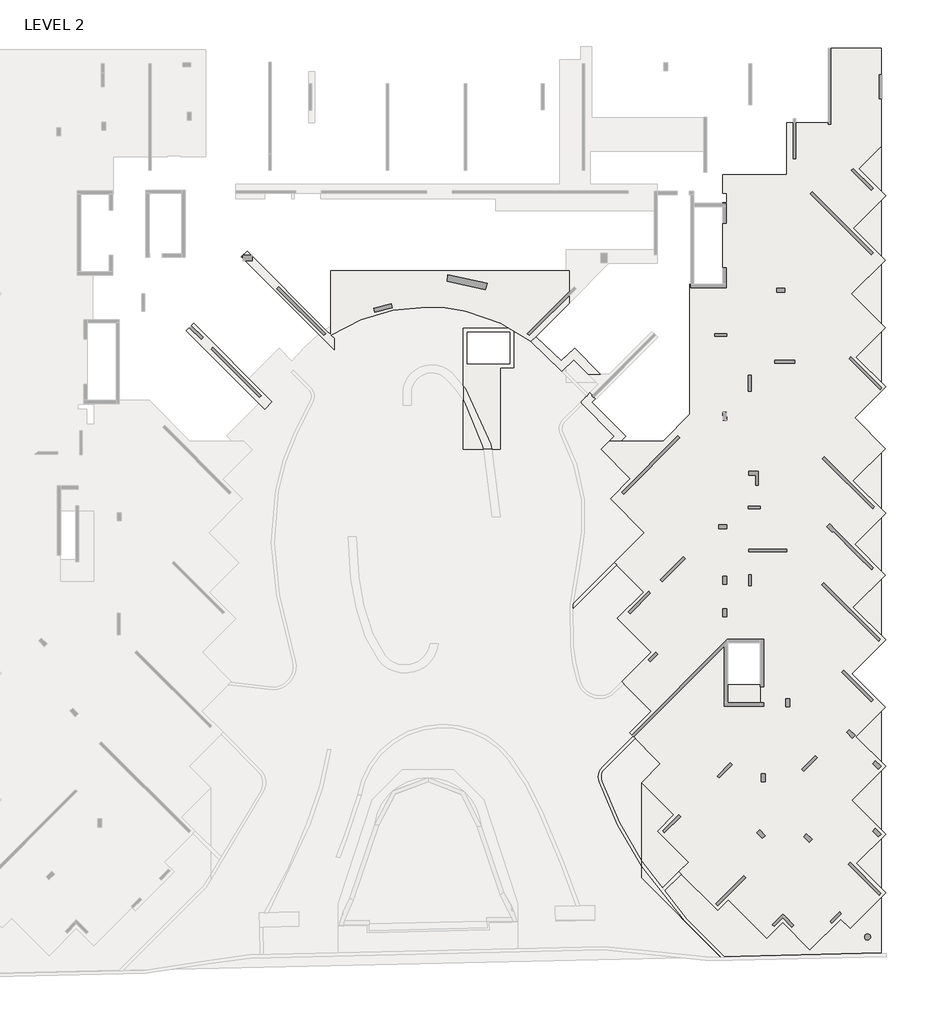
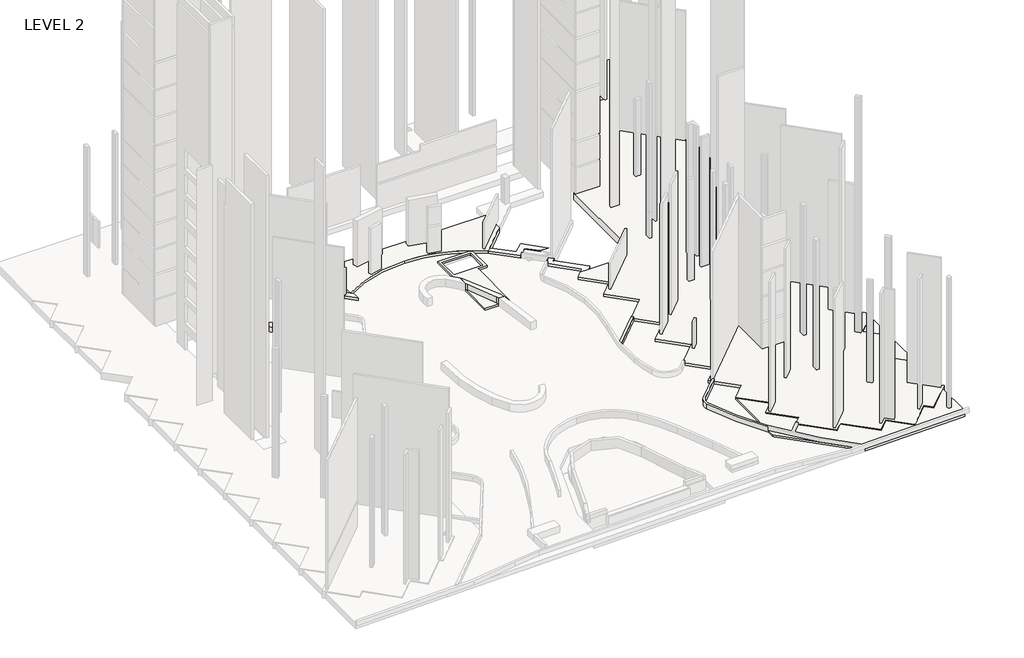
# One storey, part 8 of 9: 10 slabs.
"""IFC4 building model written with IfcOpenShell, lengths in millimetres."""

from ifc_helpers import new_model, si_unit, point, frame, frame_2d, origin, place, context, project, spatial, polyline, circle_curve, trimmed, segment, composite_curve, outline, extrude, faceted_brep, element, save
from ifc_brep_helpers import plane_surface, cylinder_surface, revolved_surface, advanced_brep

model = new_model("IFC4")

# Units and contexts
model_context = context("Model", 3, world=origin())
ifc_project = project(units=[si_unit("LENGTHUNIT", "METRE", prefix="MILLI")], contexts=[model_context])

# Site, building, storey
site = spatial("IfcSite", under=ifc_project)
building = spatial("IfcBuilding", under=site)
storey = spatial("IfcBuildingStorey", under=building, Name="LEVEL 2", Elevation=6400.0)

# Slabs
placement = place(None, origin())
element("IfcSlab", 1, ObjectType="200 SLAB", at=placement, inside=storey, context=model_context, shape_type="Brep", body=[
    faceted_brep([(234188.4739802, 169181.123658, 6200.0), (234188.4739802, 169186.123658, 6200.0), (234188.4739802, 170536.0798962, 6200.0), (236628.4739802, 170536.0798962, 6200.0), (236628.4739802, 169186.123658, 6200.0), (236628.4739802, 169181.123658, 6200.0), (234188.4739802, 169181.123658, 6400.0), (236628.4739802, 169181.123658, 6400.0), (236628.4739802, 170536.0798962, 6400.0), (234188.4739802, 170536.0798962, 6400.0)], [[[0, 1, 2, 3, 4, 5]], [[6, 7, 8, 9]], [[2, 1, 0, 6, 9]], [[3, 2, 9, 8]], [[5, 4, 3, 8, 7]], [[0, 5, 7, 6]]]),
])
element("IfcSlab", 2, ObjectType="200 SLAB", at=placement, inside=storey, context=model_context, shape_type="AdvancedBrep", body=[
    advanced_brep(
    [(218155.5689775, 194287.649378, 6100.0), (217855.5689775, 194287.649378, 6100.0), (217145.5689775, 194287.649378, 6100.0), (217145.5689775, 188472.649378, 6100.0), (217145.5689775, 188172.649378, 6100.0), (214685.5689775, 188172.649378, 6100.0), (214385.5689775, 188172.649378, 6100.0), (214385.5689775, 194287.649378, 6100.0), (214385.5689775, 197237.649378, 6100.0), (214685.5689775, 197237.649378, 6100.0), (217855.5689775, 197237.649378, 6100.0), (217934.8799629, 197237.649378, 6100.0), (218155.5689775, 197112.670826, 6100.0), (217855.5689775, 194587.649378, 6100.0), (217855.5689775, 196937.649378, 6100.0), (214685.5689775, 196937.649378, 6100.0), (214685.5689775, 194587.649378, 6100.0), (217145.5689775, 194287.649378, 6300.0), (218155.5689775, 194287.649378, 6300.0), (218155.5689775, 197112.670826, 6300.0), (217934.8799629, 197237.649378, 6300.0), (214385.5689775, 197237.649378, 6300.0), (214385.5689775, 188172.649378, 6300.0), (217145.5689775, 188172.649378, 6300.0), (217855.5689775, 196937.649378, 6300.0), (217855.5689775, 194587.649378, 6300.0), (214685.5689775, 194587.649378, 6300.0), (214685.5689775, 196937.649378, 6300.0), (217934.8799629, 197237.649378, 6200.0), (218155.5689775, 197112.670826, 6200.0)],
    [
        (0, 1),
        (1, 2),
        (2, 3),
        (3, 4),
        (4, 5),
        (5, 6),
        (6, 7),
        (7, 8),
        (8, 9),
        (9, 10),
        (10, 11),
        (11, 12, circle_curve(frame((211735.6562939, 186033.6293209, 6100.0), z_axis=(0.0, 0.0, -1.0), x_axis=(1.0, 0.0, 0.0)), 12804.7038051)),
        (12, 0),
        (13, 14),
        (14, 15),
        (15, 16),
        (16, 13),
        (17, 18),
        (18, 19),
        (19, 20, circle_curve(frame((211735.6562939, 186033.6293209, 6300.0), z_axis=(0.0, 0.0, 1.0), x_axis=(1.0, 0.0, 0.0)), 12804.7038051)),
        (20, 21),
        (21, 22),
        (22, 23),
        (23, 17),
        (24, 25),
        (25, 26),
        (26, 27),
        (27, 24),
        (0, 18),
        (17, 2),
        (11, 28),
        (28, 20),
        (19, 29),
        (29, 12),
        (4, 23),
        (22, 6),
        (21, 8),
        (13, 25),
        (24, 14),
        (27, 15),
        (26, 16),
    ],
    [
        plane_surface(frame((215265.5689775, 197237.649378, 6100.0), z_axis=(0.0, 0.0, -1.0), x_axis=(1.0, 0.0, 0.0))),
        plane_surface(frame((215265.5689775, 197237.649378, 6300.0), z_axis=(0.0, 0.0, 1.0), x_axis=(-1.0, 0.0, 0.0))),
        plane_surface(frame((218155.5689775, 194287.649378, 6100.0), z_axis=(0.0, -1.0, 0.0), x_axis=(0.0, 0.0, 1.0))),
        cylinder_surface(frame((211735.6562939, 186033.6293209, 6300.0), z_axis=(0.0, 0.0, -1.0), x_axis=(1.0, 0.0, 0.0)), 12804.7038051),
        plane_surface(frame((218155.5689775, 197112.670826, 6100.0), z_axis=(1.0, 0.0, 0.0), x_axis=(0.0, 0.0, 1.0))),
        plane_surface(frame((217145.5689775, 188172.649378, 6100.0), z_axis=(0.0, -1.0, 0.0), x_axis=(0.0, 0.0, 1.0))),
        plane_surface(frame((214385.5689775, 188172.649378, 6100.0), z_axis=(-1.0, 0.0, 0.0), x_axis=(0.0, 0.0, 1.0))),
        plane_surface(frame((214385.5689775, 197237.649378, 6100.0), z_axis=(0.0, 1.0, 0.0), x_axis=(0.0, 0.0, 1.0))),
        plane_surface(frame((217145.5689775, 194287.649378, 6100.0), z_axis=(1.0, 0.0, 0.0), x_axis=(0.0, 0.0, 1.0))),
        plane_surface(frame((217855.5689775, 194587.649378, 12904.8), z_axis=(-1.0, 0.0, 0.0), x_axis=(0.0, 0.0, -1.0))),
        plane_surface(frame((217855.5689775, 196937.649378, 12904.8), z_axis=(0.0, -1.0, 0.0), x_axis=(0.0, 0.0, -1.0))),
        plane_surface(frame((214685.5689775, 196937.649378, 12904.8), z_axis=(1.0, 0.0, 0.0), x_axis=(0.0, 0.0, -1.0))),
        plane_surface(frame((214685.5689775, 194587.649378, 12904.8), z_axis=(0.0, 1.0, 0.0), x_axis=(0.0, 0.0, -1.0))),
    ],
    [
        (0, [[1, 2, 3, 4, 5, 6, 7, 8, 9, 10, 11, 12, 13], [14, 15, 16, 17]]),
        (1, [[18, 19, 20, 21, 22, 23, 24], [25, 26, 27, 28]]),
        (2, [[-2, -1, 29, -18, 30]]),
        (3, [[-12, 31, 32, -20, 33, 34]]),
        (4, [[-13, -34, -33, -19, -29]]),
        (5, [[-6, -5, 35, -23, 36]]),
        (6, [[-8, -7, -36, -22, 37]]),
        (7, [[-11, -10, -9, -37, -21, -32, -31]]),
        (8, [[-4, -3, -30, -24, -35]]),
        (9, [[38, -25, 39, -14]]),
        (10, [[-39, -28, 40, -15]]),
        (11, [[-40, -27, 41, -16]]),
        (12, [[-38, -17, -41, -26]]),
    ],
),
])
element("IfcSlab", 3, ObjectType="600 TRANSFER SLAB", at=placement, inside=storey, context=model_context, shape_type="SweptSolid", body=[
    extrude(outline(polyline([(194165.6843581, 197615.8366676), (200039.4761357, 191742.04489), (199500.7745609, 191203.3433152), (193626.9827833, 197077.1350928), (194165.6843581, 197615.8366676)])), frame((0.0, 0.0, 5800.0), z_axis=(0.0, 0.0, 1.0), x_axis=(1.0, 0.0, 0.0)), (0.0, 0.0, 1.0), 600.0),
])
element("IfcSlab", 4, ObjectType="600 TRANSFER SLAB", at=placement, inside=storey, context=model_context, shape_type="AdvancedBrep", body=[
    advanced_brep(
    [(219427.0324267, 196270.9713939, 5800.0), (218590.6877178, 196848.8491204, 5800.0), (218155.5637072, 197112.6737724, 5800.0), (217934.8808847, 197237.648549, 5800.0), (211612.4270036, 198837.7401482, 5800.0), (204460.6709386, 196736.9115704, 5800.0), (204687.7148824, 196509.8676266, 5800.0), (204687.7148824, 195661.3394892, 5800.0), (203558.7634232, 196790.2909484, 5800.0), (202514.2838684, 197834.7705031, 5800.0), (202019.3091216, 198329.74525, 5800.0), (198130.8560713, 202218.1983002, 5800.0), (197955.12014, 202393.9342315, 5800.0), (197749.4070666, 202599.6473049, 5800.0), (197955.12014, 202805.3603783, 5800.0), (198017.9580619, 202868.1983002, 5800.0), (198173.6711353, 203023.9113736, 5800.0), (198329.3842087, 202868.1983002, 5800.0), (198555.12014, 202642.4623689, 5800.0), (202443.5731903, 198754.0093187, 5800.0), (202938.5479371, 198259.0345719, 5800.0), (204046.8231035, 197150.7594054, 5800.0), (204437.7148824, 196759.8676266, 5800.0), (204437.7148824, 197413.6077568, 5800.0), (204437.7148824, 201563.2322067, 5800.0), (209893.6496027, 201563.2322067, 5800.0), (210193.6496027, 201563.2322067, 5800.0), (214385.5689775, 201563.2322067, 5800.0), (214685.5689775, 201563.2322067, 5800.0), (222096.1491692, 201563.2322067, 5800.0), (222296.1491692, 201563.2322067, 5800.0), (222296.1491692, 199140.0881364, 5800.0), (219787.5342604, 196631.4732276, 5800.0), (219427.0324267, 196270.9713939, 6400.0), (219787.5342604, 196631.4732276, 6400.0), (222296.1491692, 199140.0881364, 6400.0), (222296.1491692, 201563.2322067, 6400.0), (222096.1491692, 201563.2322067, 6400.0), (214685.5689775, 201563.2322067, 6400.0), (204437.7148824, 201563.2322067, 6400.0), (204437.7148824, 197413.6077568, 6400.0), (204437.7148824, 196759.8676266, 6400.0), (204046.8231035, 197150.7594054, 6400.0), (198173.6711353, 203023.9113736, 6400.0), (197749.4070666, 202599.6473049, 6400.0), (203558.7634232, 196790.2909484, 6400.0), (204687.7148824, 195661.3394892, 6400.0), (204687.7148824, 196509.8676266, 6400.0), (204460.6709386, 196736.9115704, 6400.0), (211612.4270036, 198837.7401482, 6400.0), (214385.5687931, 198561.1351893, 6400.0), (214685.5749577, 198493.9028281, 6400.0), (204437.7148824, 201563.2322067, 6200.0), (219427.0324267, 196270.9713939, 6100.0), (211612.4270036, 198837.7401482, 6100.0), (204460.6709386, 196736.9115704, 6100.0), (204687.7148824, 195661.3394892, 6100.0), (197749.4070666, 202599.6473049, 6200.0), (198173.6711353, 203023.9113736, 6200.0), (204687.7148824, 196509.8676266, 6100.0), (204437.7148824, 196759.8676266, 6100.0)],
    [
        (0, 1, circle_curve(frame((211735.6562939, 186033.6293209, 5800.0), z_axis=(0.0, 0.0, 1.0), x_axis=(1.0, 0.0, 0.0)), 12804.7038051)),
        (1, 2, circle_curve(frame((211735.6562939, 186033.6293209, 5800.0), z_axis=(0.0, 0.0, 1.0), x_axis=(1.0, 0.0, 0.0)), 12804.7036332)),
        (2, 3, circle_curve(frame((211735.6562939, 186033.6293209, 5800.0), z_axis=(0.0, 0.0, 1.0), x_axis=(1.0, 0.0, 0.0)), 12804.7037121)),
        (3, 4, circle_curve(frame((211735.6562939, 186033.6293209, 5800.0), z_axis=(0.0, 0.0, 1.0), x_axis=(1.0, 0.0, 0.0)), 12804.7035261)),
        (4, 5, circle_curve(frame((211489.1977134, 186033.6293209, 5800.0), z_axis=(0.0, 0.0, 1.0), x_axis=(1.0, 0.0, 0.0)), 12804.7038051)),
        (5, 6),
        (6, 7),
        (7, 8),
        (8, 9),
        (9, 10),
        (10, 11),
        (11, 12),
        (12, 13),
        (13, 14),
        (14, 15),
        (15, 16),
        (16, 17),
        (17, 18),
        (18, 19),
        (19, 20),
        (20, 21),
        (21, 22),
        (22, 23),
        (23, 24),
        (24, 25),
        (25, 26),
        (26, 27),
        (27, 28),
        (28, 29),
        (29, 30),
        (30, 31),
        (31, 32),
        (32, 0),
        (33, 34),
        (34, 35),
        (35, 36),
        (36, 37),
        (37, 38),
        (38, 39),
        (39, 40),
        (40, 41),
        (41, 42),
        (42, 43),
        (43, 44),
        (44, 45),
        (45, 46),
        (46, 47),
        (47, 48),
        (48, 49, circle_curve(frame((211489.1977134, 186033.6293209, 6400.0), z_axis=(0.0, 0.0, -1.0), x_axis=(1.0, 0.0, 0.0)), 12804.7038051)),
        (49, 50, circle_curve(frame((211735.6562939, 186033.6293209, 6400.0), z_axis=(0.0, 0.0, -1.0), x_axis=(1.0, 0.0, 0.0)), 12804.7038051)),
        (50, 51, circle_curve(frame((211735.6562939, 186033.6293209, 6400.0), z_axis=(0.0, 0.0, -1.0), x_axis=(1.0, 0.0, 0.0)), 12804.7038051)),
        (51, 33, circle_curve(frame((211735.6562939, 186033.6293209, 6400.0), z_axis=(0.0, 0.0, -1.0), x_axis=(1.0, 0.0, 0.0)), 12804.7036669)),
        (24, 52),
        (52, 39),
        (38, 28),
        (0, 53),
        (53, 33),
        (49, 54),
        (54, 4),
        (48, 55),
        (55, 5),
        (7, 56),
        (56, 46),
        (44, 57),
        (57, 13),
        (43, 58),
        (58, 16),
        (47, 59),
        (59, 6),
        (22, 60),
        (60, 41),
        (36, 30),
        (35, 31),
    ],
    [
        plane_surface(frame((224540.360099, 186033.6293209, 5800.0), z_axis=(0.0, 0.0, -1.0), x_axis=(0.0, 1.0, 0.0))),
        plane_surface(frame((224540.360099, 186033.6293209, 6400.0), z_axis=(0.0, 0.0, 1.0), x_axis=(0.0, -1.0, 0.0))),
        plane_surface(frame((204437.7148824, 201563.2322067, 5800.0), z_axis=(0.0, 1.0, 0.0), x_axis=(0.0, 0.0, 1.0))),
        revolved_surface(polyline([(224540.360099, 186033.6293209, 6400.0), (224540.360099, 186033.6293209, 5800.0)]), (211735.6562939, 186033.6293209, 6400.0), (0.0, 0.0, 1.0)),
        revolved_surface(polyline([(224293.9015185, 186033.6293209, 6400.0), (224293.9015185, 186033.6293209, 5800.0)]), (211489.1977134, 186033.6293209, 6400.0), (0.0, 0.0, 1.0)),
        plane_surface(frame((204687.7148824, 195661.3394892, 5800.0), z_axis=(-0.7071067811864133, -0.7071067811866818, 0.0), x_axis=(0.0, 0.0, 1.0))),
        plane_surface(frame((197749.4070666, 202599.6473049, 5800.0), z_axis=(-0.7071067811864898, 0.7071067811866053, 0.0), x_axis=(0.0, 0.0, 1.0))),
        plane_surface(frame((204460.6709386, 196736.9115704, 5800.0), z_axis=(0.7071067811863856, 0.7071067811867094, 0.0), x_axis=(0.0, 0.0, 1.0))),
        plane_surface(frame((204687.7148824, 196509.8676266, 5800.0), z_axis=(1.0, 0.0, 0.0), x_axis=(0.0, 0.0, 1.0))),
        plane_surface(frame((204437.7148824, 196759.8676266, 5800.0), z_axis=(-1.0, 0.0, 0.0), x_axis=(0.0, 0.0, 1.0))),
        plane_surface(frame((198173.6711353, 203023.9113736, 5800.0), z_axis=(0.7071067811864126, 0.7071067811866825, 0.0), x_axis=(0.0, 0.0, 1.0))),
        plane_surface(frame((214685.5689775, 201563.2322067, 5800.0), z_axis=(0.0, 1.0, 0.0), x_axis=(0.0, 0.0, 1.0))),
        plane_surface(frame((222296.1491692, 201563.2322067, 5800.0), z_axis=(1.0, 0.0, 0.0), x_axis=(0.0, 0.0, 1.0))),
        plane_surface(frame((222296.1491692, 199140.0881364, 5800.0), z_axis=(0.7071067811865476, -0.7071067811865476, 0.0), x_axis=(0.0, 0.0, 1.0))),
    ],
    [
        (0, [[1, 2, 3, 4, 5, 6, 7, 8, 9, 10, 11, 12, 13, 14, 15, 16, 17, 18, 19, 20, 21, 22, 23, 24, 25, 26, 27, 28, 29, 30, 31, 32, 33]]),
        (1, [[34, 35, 36, 37, 38, 39, 40, 41, 42, 43, 44, 45, 46, 47, 48, 49, 50, 51, 52]]),
        (2, [[-28, -27, -26, -25, 53, 54, -39, 55]]),
        (3, [[-4, -3, -2, -1, 56, 57, -52, -51, -50, 58, 59]]),
        (4, [[-5, -59, -58, -49, 60, 61]]),
        (5, [[-13, -12, -11, -10, -9, -8, 62, 63, -46, -45, 64, 65]]),
        (6, [[-16, -15, -14, -65, -64, -44, 66, 67]]),
        (7, [[-6, -61, -60, -48, 68, 69]]),
        (8, [[-7, -69, -68, -47, -63, -62]]),
        (9, [[-24, -23, 70, 71, -41, -40, -54, -53]]),
        (10, [[-22, -21, -20, -19, -18, -17, -67, -66, -43, -42, -71, -70]]),
        (11, [[-30, -29, -55, -38, -37, 72]]),
        (12, [[-31, -72, -36, 73]]),
        (13, [[-33, -32, -73, -35, -34, -57, -56]]),
    ],
),
])
element("IfcSlab", 5, ObjectType="700 TRANSFER SLAB", at=placement, inside=storey, context=model_context, shape_type="Brep", body=[
    faceted_brep([(227722.4499864, 156075.5500192, 5600.0), (227722.4499864, 163214.428938, 5600.0), (228322.4499864, 162614.428938, 5600.0), (230140.7551781, 160796.1237463, 5600.0), (228928.9191529, 159584.2877211, 5600.0), (231247.9064129, 157265.3004611, 5600.0), (230529.2982594, 156546.6923075, 5600.0), (230529.4396807, 156546.5508862, 5600.0), (233428.5715552, 153647.4190117, 5600.0), (234220.6803966, 154439.5278532, 5600.0), (237105.6819923, 151554.5262575, 5600.0), (238300.5858721, 152749.4301373, 5600.0), (240342.0709178, 150707.9450916, 5600.0), (242633.0968889, 152998.9710627, 5600.0), (243340.2036701, 152291.8642814, 5600.0), (245697.5141065, 154649.1747179, 5600.0), (245697.5141065, 150460.8452987, 5600.0), (233611.6446539, 150186.3553517, 5600.0), (227722.4499864, 163214.428938, 6300.0), (227722.4499864, 156075.5500192, 6300.0), (233611.6446539, 150186.3553517, 6300.0), (245697.5141065, 150460.8452987, 6300.0), (245697.5141065, 154649.1747179, 6300.0), (243340.2036701, 152291.8642814, 6300.0), (242633.0968889, 152998.9710627, 6300.0), (240342.0709178, 150707.9450916, 6300.0), (238300.5858721, 152749.4301373, 6300.0), (237105.6819923, 151554.5262575, 6300.0), (234220.6803966, 154439.5278532, 6300.0), (233428.5715552, 153647.4190117, 6300.0), (230529.4396807, 156546.5508862, 6300.0), (230529.2982594, 156546.6923075, 6300.0), (231247.9064129, 157265.3004611, 6300.0), (228928.9191529, 159584.2877211, 6300.0), (230140.7551781, 160796.1237463, 6300.0)], [[[0, 1, 2, 3, 4, 5, 6, 7, 8, 9, 10, 11, 12, 13, 14, 15, 16, 17]], [[18, 19, 20, 21, 22, 23, 24, 25, 26, 27, 28, 29, 30, 31, 32, 33, 34]], [[1, 0, 19, 18]], [[3, 2, 1, 18, 34]], [[4, 3, 34, 33]], [[5, 4, 33, 32]], [[6, 5, 32, 31]], [[6, 31, 30, 29, 8, 7]], [[9, 8, 29, 28]], [[10, 9, 28, 27]], [[11, 10, 27, 26]], [[12, 11, 26, 25]], [[13, 12, 25, 24]], [[14, 13, 24, 23]], [[15, 14, 23, 22]], [[16, 15, 22, 21]], [[17, 16, 21, 20]], [[0, 17, 20, 19]]]),
    faceted_brep([(245697.5141065, 183075.2541522, 5600.0), (245697.5141065, 179046.2468328, 5600.0), (243683.0104468, 181060.7504925, 5600.0), (245697.5141065, 179046.2468328, 6300.0), (245697.5141065, 183075.2541522, 6300.0), (243683.0104468, 181060.7504925, 6300.0)], [[[0, 1, 2]], [[3, 4, 5]], [[1, 0, 4, 3]], [[2, 1, 3, 5]], [[0, 2, 5, 4]]]),
    faceted_brep([(245697.5141065, 187968.0462484, 5600.0), (245697.5141065, 183684.8791677, 5600.0), (243555.9305661, 185826.4627081, 5600.0), (245697.5141065, 183684.8791677, 6300.0), (245697.5141065, 187968.0462484, 6300.0), (243555.9305661, 185826.4627081, 6300.0)], [[[0, 1, 2]], [[3, 4, 5]], [[1, 0, 4, 3]], [[2, 1, 3, 5]], [[0, 2, 5, 4]]]),
    faceted_brep([(245697.5141065, 197019.0130475, 5600.0), (245697.5141065, 193160.0981846, 5600.0), (243768.056675, 195089.5556161, 5600.0), (245697.5141065, 193160.0981846, 6300.0), (245697.5141065, 197019.0130475, 6300.0), (243768.056675, 195089.5556161, 6300.0)], [[[0, 1, 2]], [[3, 4, 5]], [[1, 0, 4, 3]], [[2, 1, 3, 5]], [[0, 2, 5, 4]]]),
    faceted_brep([(245697.5141065, 202081.897601, 5600.0), (245697.5141065, 197572.4444992, 5600.0), (243442.7875556, 199827.1710501, 5600.0), (245697.5141065, 197572.4444992, 6300.0), (245697.5141065, 202081.897601, 6300.0), (243442.7875556, 199827.1710501, 6300.0)], [[[0, 1, 2]], [[3, 4, 5]], [[1, 0, 4, 3]], [[2, 1, 3, 5]], [[0, 2, 5, 4]]]),
    faceted_brep([(245697.5141065, 206861.9394416, 5600.0), (245697.5141065, 202635.3290525, 5600.0), (243584.2089119, 204748.6342471, 5600.0), (245697.5141065, 202635.3290525, 6300.0), (245697.5141065, 206861.9394416, 6300.0), (243584.2089119, 204748.6342471, 6300.0)], [[[0, 1, 2]], [[3, 4, 5]], [[1, 0, 4, 3]], [[2, 1, 3, 5]], [[0, 2, 5, 4]]]),
    faceted_brep([(245697.5141065, 210907.3205473, 5600.0), (245697.5141065, 207472.0005715, 5600.0), (243979.8541186, 209189.6605594, 5600.0), (245691.514093, 210901.3205338, 5600.0), (245697.5141065, 207472.0005715, 6300.0), (245697.5141065, 210907.3205473, 6300.0), (245691.514093, 210901.3205338, 6300.0), (243979.8541186, 209189.6605594, 6300.0)], [[[0, 1, 2, 3]], [[4, 5, 6, 7]], [[1, 0, 5, 4]], [[2, 1, 4, 7]], [[2, 7, 6, 5, 0, 3]]]),
    faceted_brep([(243796.340945, 157160.3478734, 5600.0), (245697.5141065, 159061.5210349, 5600.0), (245697.5141065, 155259.1747119, 5600.0), (245697.5141065, 159061.5210349, 6300.0), (243796.340945, 157160.3478734, 6300.0), (245697.5141065, 155259.1747119, 6300.0)], [[[0, 1, 2]], [[3, 4, 5]], [[1, 0, 4, 3]], [[2, 1, 3, 5]], [[0, 2, 5, 4]]]),
    faceted_brep([(243471.0718269, 161897.9633086, 5600.0), (245697.5141065, 164124.4055882, 5600.0), (245697.5141065, 159671.5210291, 5600.0), (245697.5141065, 164124.4055882, 6300.0), (243471.0718269, 161897.9633086, 6300.0), (245697.5141065, 159671.5210291, 6300.0)], [[[0, 1, 2]], [[3, 4, 5]], [[1, 0, 4, 3]], [[2, 1, 3, 5]], [[0, 2, 5, 4]]]),
    faceted_brep([(243768.0566743, 166663.863013, 5600.0), (245697.5141065, 168593.3204452, 5600.0), (245697.5141065, 164734.4055809, 5600.0), (245697.5141065, 168593.3204452, 6300.0), (243768.0566743, 166663.863013, 6300.0), (245697.5141065, 164734.4055809, 6300.0)], [[[0, 1, 2]], [[3, 4, 5]], [[1, 0, 4, 3]], [[2, 1, 3, 5]], [[0, 2, 5, 4]]]),
    faceted_brep([(245697.5141065, 174209.2614716, 5600.0), (243555.7371517, 176351.0384264, 5600.0), (245697.5141065, 178492.8153812, 5600.0), (243555.7371517, 176351.0384264, 6300.0), (245697.5141065, 174209.2614716, 6300.0), (245697.5141065, 178492.8153812, 6300.0)], [[[0, 1, 2]], [[3, 4, 5]], [[1, 0, 4, 3]], [[2, 1, 3, 5]], [[0, 2, 5, 4]]]),
])
element("IfcSlab", 6, ObjectType="800 SLAB FOLDING", at=placement, inside=storey, context=model_context, shape_type="SolidModel", body=[
    advanced_brep(
    [(219427.0324267, 196270.9713939, 5600.0), (219787.5342604, 196631.4732276, 5600.0), (221717.4561682, 194836.6052583, 5600.0), (222706.0106426, 195754.5127341, 5600.0), (224647.8739987, 193812.649378, 5600.0), (223734.1950241, 193812.649378, 5600.0), (222656.7975037, 194890.0468984, 5600.0), (222096.1491692, 194369.4652705, 5600.0), (221734.0137272, 194033.2098207, 5600.0), (219427.0324267, 196270.9713939, 6400.0), (221734.0137272, 194033.2098207, 6400.0), (222656.7975037, 194890.0468984, 6400.0), (223734.1950241, 193812.649378, 6400.0), (224647.8739987, 193812.649378, 6400.0), (222706.0106426, 195754.5127341, 6400.0), (221717.4561682, 194836.6052583, 6400.0), (219787.5342604, 196631.4732276, 6400.0), (219787.5342604, 196631.4732276, 6200.0), (221717.4561682, 194836.6052583, 6200.0), (222706.0106426, 195754.5127341, 6200.0), (224647.8739987, 193812.649378, 6200.0), (224647.8739987, 193812.649378, 5800.0), (223734.1950241, 193812.649378, 5800.0), (222656.7975037, 194890.0468984, 6300.0)],
    [
        (0, 1),
        (1, 2, circle_curve(frame((211667.830905, 185965.803932, 5600.0), z_axis=(0.0, 0.0, -1.0), x_axis=(1.0, 0.0, 0.0)), 13404.7038051)),
        (2, 3),
        (3, 4),
        (4, 5),
        (5, 6),
        (6, 7),
        (7, 8),
        (8, 0, circle_curve(frame((211735.6562939, 186033.6293209, 5600.0), z_axis=(0.0, 0.0, 1.0), x_axis=(1.0, 0.0, 0.0)), 12804.7038051)),
        (9, 10, circle_curve(frame((211735.6562939, 186033.6293209, 6400.0), z_axis=(0.0, 0.0, -1.0), x_axis=(1.0, 0.0, 0.0)), 12804.7038051)),
        (10, 11),
        (11, 12),
        (12, 13),
        (13, 14),
        (14, 15),
        (15, 16, circle_curve(frame((211667.830905, 185965.803932, 6400.0), z_axis=(0.0, 0.0, 1.0), x_axis=(1.0, 0.0, 0.0)), 13404.7038051)),
        (16, 9),
        (0, 9),
        (16, 17),
        (17, 1),
        (15, 18),
        (18, 2),
        (14, 19),
        (19, 3),
        (13, 20),
        (20, 21),
        (21, 4),
        (12, 22),
        (22, 5),
        (11, 23),
        (23, 6),
        (10, 8),
    ],
    [
        plane_surface(frame((219427.0324267, 196270.9713939, 5600.0), z_axis=(0.0, 0.0, -1.0000000000000002), x_axis=(0.7071067811865476, 0.7071067811865476, 0.0))),
        plane_surface(frame((219427.0324267, 196270.9713939, 6400.0), z_axis=(0.0, 0.0, 1.0000000000000002), x_axis=(-0.7071067811865476, -0.7071067811865476, 0.0))),
        plane_surface(frame((219427.0324267, 196270.9713939, 5600.0), z_axis=(-0.7071067811865476, 0.7071067811865476, 0.0), x_axis=(0.0, 0.0, 1.0))),
        cylinder_surface(frame((211667.830905, 185965.803932, 6400.0), z_axis=(0.0, 0.0, -1.0), x_axis=(1.0, 0.0, 0.0)), 13404.7038051),
        plane_surface(frame((221717.4561682, 194836.6052583, 5600.0), z_axis=(-0.680436783001226, 0.7328067851343507, 0.0), x_axis=(0.0, 0.0, 1.0))),
        plane_surface(frame((222706.0106426, 195754.5127341, 5600.0), z_axis=(0.7071067811865476, 0.7071067811865476, 0.0), x_axis=(0.0, 0.0, 1.0))),
        plane_surface(frame((224647.8739987, 193812.649378, 5600.0), z_axis=(0.0, -1.0, 0.0), x_axis=(0.0, 0.0, 1.0))),
        plane_surface(frame((223734.1950241, 193812.649378, 5600.0), z_axis=(-0.7071067811865476, -0.7071067811865476, 0.0), x_axis=(0.0, 0.0, 1.0))),
        plane_surface(frame((222656.7975037, 194890.0468984, 5600.0), z_axis=(0.6804367830012091, -0.7328067851343664, 0.0), x_axis=(0.0, 0.0, 1.0))),
        revolved_surface(polyline([(224540.360099, 186033.6293209, 6400.0), (224540.360099, 186033.6293209, 5600.0)]), (211735.6562939, 186033.6293209, 6400.0), (0.0, 0.0, 1.0)),
    ],
    [
        (0, [[1, 2, 3, 4, 5, 6, 7, 8, 9]]),
        (1, [[10, 11, 12, 13, 14, 15, 16, 17]]),
        (2, [[-1, 18, -17, 19, 20]]),
        (3, [[-2, -20, -19, -16, 21, 22]]),
        (4, [[-3, -22, -21, -15, 23, 24]]),
        (5, [[-4, -24, -23, -14, 25, 26, 27]]),
        (6, [[-5, -27, -26, -25, -13, 28, 29]]),
        (7, [[-6, -29, -28, -12, 30, 31]]),
        (8, [[-8, -7, -31, -30, -11, 32]]),
        (9, [[-9, -32, -10, -18]]),
    ],
),
    faceted_brep([(224005.809227, 191713.9481081, 5600.0), (226537.2515037, 189182.5058314, 5600.0), (226157.3950502, 188802.649378, 5600.0), (225308.8669128, 188802.649378, 5600.0), (225688.7233663, 189182.5058314, 5600.0), (223157.2810896, 191713.9481081, 5600.0), (223848.2904789, 192404.9574974, 5600.0), (224272.5545476, 191980.6934287, 5600.0), (224005.809227, 191713.9481081, 6400.0), (224272.5545476, 191980.6934287, 6400.0), (223848.2904789, 192404.9574974, 6400.0), (223157.2810896, 191713.9481081, 6400.0), (225688.7233663, 189182.5058314, 6400.0), (225308.8669128, 188802.649378, 6400.0), (226157.3950502, 188802.649378, 6400.0), (226537.2515037, 189182.5058314, 6400.0), (224005.809227, 191713.9481081, 6200.0), (226537.2515037, 189182.5058314, 6200.0), (226157.3950502, 188802.649378, 6200.0), (224272.5545476, 191980.6934287, 6200.0)], [[[0, 1, 2, 3, 4, 5, 6, 7]], [[8, 9, 10, 11, 12, 13, 14, 15]], [[1, 0, 16, 8, 15, 17]], [[2, 1, 17, 15, 14, 18]], [[3, 2, 18, 14, 13]], [[4, 3, 13, 12]], [[5, 4, 12, 11]], [[6, 5, 11, 10]], [[7, 6, 10, 9, 19]], [[0, 7, 19, 9, 8, 16]]]),
])
element("IfcSlab", 7, ObjectType="800 TRANSFER SLAB", at=placement, inside=storey, context=model_context, shape_type="Brep", body=[
    faceted_brep([(231351.1491692, 190800.2613192, 5600.0), (231351.1491692, 200548.2322067, 5600.0), (233812.4721706, 200548.1983002, 5600.0), (233812.4721706, 206363.1983002, 5600.0), (233811.1491692, 206363.1983002, 5600.0), (233811.1491692, 206663.2322067, 5600.0), (234112.4721706, 206663.2322067, 5600.0), (234112.4721706, 207363.1983032, 5600.0), (233811.1491692, 207363.1983032, 5600.0), (233811.1491692, 208758.1983002, 5600.0), (238583.4739801, 208758.1983002, 5600.0), (238583.4739801, 212660.6489961, 5600.0), (241711.9970322, 212660.6489961, 5600.0), (241711.9970322, 218240.6489961, 5600.0), (245402.1628329, 218240.6489961, 5600.0), (245691.514093, 218240.6489961, 5600.0), (245691.514093, 217837.6490083, 5600.0), (245691.514093, 213223.231834, 5600.0), (245691.514093, 212223.231834, 5600.0), (245691.514093, 210901.3205338, 5600.0), (243979.8541186, 209189.6605594, 5600.0), (245697.5141065, 207472.0005715, 5600.0), (246002.5446714, 207166.9700066, 5600.0), (245697.5141065, 206861.9394416, 5600.0), (243584.2089119, 204748.6342471, 5600.0), (245697.5141065, 202635.3290525, 5600.0), (245974.2298322, 202358.6133267, 5600.0), (245697.5141065, 202081.897601, 5600.0), (243442.7875556, 199827.1710501, 5600.0), (245697.5141065, 197572.4444992, 5600.0), (245974.2298323, 197295.7287734, 5600.0), (245697.5141065, 197019.0130475, 5600.0), (243768.056675, 195089.5556161, 5600.0), (245697.5141065, 193160.0981846, 5600.0), (246002.3266142, 192855.2856768, 5600.0), (243683.0163719, 190535.9754345, 5600.0), (245974.2298323, 188244.7619742, 5600.0), (245697.5141065, 187968.0462484, 5600.0), (243555.9305661, 185826.4627081, 5600.0), (245697.5141065, 183684.8791677, 5600.0), (246002.3266143, 183380.06666, 5600.0), (245697.5141065, 183075.2541522, 5600.0), (243683.0104468, 181060.7504925, 5600.0), (245697.5141065, 179046.2468328, 5600.0), (245974.2298323, 178769.531107, 5600.0), (245697.5141065, 178492.8153812, 5600.0), (243555.7371517, 176351.0384264, 5600.0), (245697.5141065, 174209.2614716, 5600.0), (246002.3266143, 173904.4489639, 5600.0), (243471.0718269, 171373.1941765, 5600.0), (245974.2298324, 168870.0361711, 5600.0), (245697.5141065, 168593.3204452, 5600.0), (243768.0566743, 166663.863013, 5600.0), (245697.5141065, 164734.4055809, 5600.0), (246002.5141028, 164429.4055845, 5600.0), (245697.5141065, 164124.4055882, 5600.0), (243471.0718269, 161897.9633086, 5600.0), (245697.5141065, 159671.5210291, 5600.0), (246002.5141036, 159366.521032, 5600.0), (245697.5141065, 159061.5210349, 5600.0), (243796.340945, 157160.3478734, 5600.0), (245697.5141065, 155259.1747119, 5600.0), (246002.5141035, 154954.1747149, 5600.0), (245697.5141065, 154649.1747179, 5600.0), (243340.2036701, 152291.8642814, 5600.0), (242633.0968889, 152998.9710627, 5600.0), (240342.0709178, 150707.9450916, 5600.0), (238300.5858721, 152749.4301373, 5600.0), (237105.6819923, 151554.5262575, 5600.0), (234220.6803966, 154439.5278532, 5600.0), (233428.5715552, 153647.4190117, 5600.0), (230529.4396807, 156546.5508862, 5600.0), (231248.0478343, 157265.1590397, 5600.0), (231247.9064129, 157265.3004611, 5600.0), (228928.9191529, 159584.2877211, 5600.0), (230140.7551781, 160796.1237463, 5600.0), (228322.4499864, 162614.428938, 5600.0), (228322.4499864, 162965.9008006, 5600.0), (229989.9939265, 164633.4447406, 5600.0), (227670.6836842, 166952.7549829, 5600.0), (229289.90897, 168571.9802687, 5600.0), (227083.5529604, 170778.3362784, 5600.0), (229293.0597598, 172987.8430777, 5600.0), (226761.6174831, 175519.2853544, 5600.0), (228727.3743348, 177485.0422061, 5600.0), (226521.202469, 179691.214072, 5600.0), (228783.9441688, 181953.9557718, 5600.0), (226252.4959637, 184485.4039768, 5600.0), (227753.4751673, 185986.3831805, 5600.0), (225547.30201, 188192.5563378, 5600.0), (226157.3950502, 188802.649378, 5600.0), (229353.537228, 188802.649378, 5600.0), (236628.4739802, 173669.7298962, 5600.0), (234188.4739802, 173669.7298962, 5600.0), (234188.4739802, 169186.123658, 5600.0), (236628.4739802, 169186.123658, 5600.0), (229353.537228, 188802.649378, 6400.0), (226157.3950502, 188802.649378, 6400.0), (225308.8669128, 188802.649378, 6400.0), (224688.1863404, 188181.9688055, 6400.0), (226894.3594977, 185975.7956482, 6400.0), (225403.9678263, 184485.4039768, 6400.0), (227935.4101064, 181953.9616967, 6400.0), (225677.8779782, 179696.4295685, 6400.0), (227884.055769, 177490.2517777, 6400.0), (225908.1465887, 175514.3425974, 6400.0), (228439.6302963, 172982.8588898, 6400.0), (226235.0662539, 170778.2948474, 6400.0), (228441.2051942, 168572.1559071, 6400.0), (226821.9799083, 166952.9306213, 6400.0), (229141.465789, 164633.4447406, 6400.0), (227722.4499864, 163214.428938, 6400.0), (230140.7551781, 160796.1237463, 6400.0), (228928.9191529, 159584.2877211, 6400.0), (231248.0478343, 157265.1590397, 6400.0), (230529.4396807, 156546.5508862, 6400.0), (233428.5715552, 153647.4190117, 6400.0), (234220.6803966, 154439.5278532, 6400.0), (237105.6819923, 151554.5262575, 6400.0), (238300.5858721, 152749.4301373, 6400.0), (240342.0709178, 150707.9450916, 6400.0), (242633.0968889, 152998.9710627, 6400.0), (243340.2036701, 152291.8642814, 6400.0), (246002.5141035, 154954.1747149, 6400.0), (243796.340945, 157160.3478734, 6400.0), (246002.5141036, 159366.521032, 6400.0), (243471.0718269, 161897.9633086, 6400.0), (246002.5141028, 164429.4055845, 6400.0), (243768.0566743, 166663.863013, 6400.0), (245974.2298324, 168870.0361711, 6400.0), (243471.0718269, 171373.1941765, 6400.0), (246002.3266143, 173904.4489639, 6400.0), (243555.7371517, 176351.0384264, 6400.0), (245974.2298323, 178769.531107, 6400.0), (243683.0104468, 181060.7504925, 6400.0), (246002.3266143, 183380.06666, 6400.0), (243555.9305661, 185826.4627081, 6400.0), (245974.2298323, 188244.7619742, 6400.0), (243683.0163719, 190535.9754345, 6400.0), (246002.3266142, 192855.2856768, 6400.0), (243768.056675, 195089.5556161, 6400.0), (245974.2298323, 197295.7287734, 6400.0), (243442.7875556, 199827.1710501, 6400.0), (245974.2298322, 202358.6133267, 6400.0), (243584.2089119, 204748.6342471, 6400.0), (246002.5446714, 207166.9700066, 6400.0), (243979.8541186, 209189.6605594, 6400.0), (245691.514093, 210901.3205338, 6400.0), (245691.514093, 218240.6489961, 6400.0), (241711.9970322, 218240.6489961, 6400.0), (241711.9970322, 212660.6489961, 6400.0), (238583.4739801, 212660.6489961, 6400.0), (238583.4739801, 208758.1983002, 6400.0), (233811.1491692, 208758.1983002, 6400.0), (233811.1491692, 207363.1983032, 6400.0), (234112.4721706, 207363.1983032, 6400.0), (234112.4721706, 206663.2322067, 6400.0), (233811.1491692, 206663.2322067, 6400.0), (233811.1491692, 206363.1983002, 6400.0), (233812.4721706, 206363.1983002, 6400.0), (233812.4721706, 200548.1983002, 6400.0), (231652.4721706, 200548.2280558, 6400.0), (231351.1491692, 200548.2322067, 6400.0), (231351.1491692, 190800.2613192, 6400.0), (234188.4739802, 173669.7298962, 6400.0), (236628.4739802, 173669.7298962, 6400.0), (236628.4739802, 170536.0798962, 6400.0), (236628.4739802, 169181.123658, 6400.0), (234188.4739802, 169181.123658, 6400.0), (234188.4739802, 170536.0798962, 6400.0), (229353.537228, 188802.649378, 6200.0), (226157.3950502, 188802.649378, 6100.0), (225308.8669128, 188802.649378, 6100.0), (225308.8669128, 188802.649378, 6200.0), (231351.1491692, 190800.2613192, 6200.0), (231351.1491692, 200548.2322067, 6200.0), (245691.514093, 218240.6489961, 6200.0), (234188.4739802, 169181.123658, 6200.0), (234188.4739802, 169186.123658, 6200.0), (236628.4739802, 169186.123658, 6200.0), (236628.4739802, 169181.123658, 6200.0), (233811.1491692, 207363.1983032, 6200.0), (233811.1491692, 208758.1983002, 6200.0), (233811.1491692, 206363.1983002, 6200.0), (233811.1491692, 206663.2322067, 6200.0), (238583.4739801, 208758.1983002, 6200.0), (238583.4739801, 212660.6489961, 6200.0), (241711.9970322, 212660.6489961, 6200.0), (241711.9970322, 218240.6489961, 6200.0), (243979.8541186, 209189.6605594, 6300.0), (243584.2089119, 204748.6342471, 6300.0), (243442.7875556, 199827.1710501, 6300.0), (243768.056675, 195089.5556161, 6300.0), (243555.9305661, 185826.4627081, 6300.0), (243683.0104468, 181060.7504925, 6300.0), (243555.7371517, 176351.0384264, 6300.0), (243768.0566743, 166663.863013, 6300.0), (243471.0718269, 161897.9633086, 6300.0), (243796.340945, 157160.3478734, 6300.0), (243340.2036701, 152291.8642814, 6300.0), (242633.0968889, 152998.9710627, 6300.0), (240342.0709178, 150707.9450916, 6300.0), (238300.5858721, 152749.4301373, 6300.0), (237105.6819923, 151554.5262575, 6300.0), (234220.6803966, 154439.5278532, 6300.0), (233428.5715552, 153647.4190117, 6300.0), (228928.9191529, 159584.2877211, 6300.0), (230140.7551781, 160796.1237463, 6300.0), (227722.4499864, 163214.428938, 6100.0), (228322.4499864, 162614.428938, 6100.0), (229141.465789, 164633.4447406, 6100.0), (226821.9799083, 166952.9306213, 6100.0), (228441.2051942, 168572.1559071, 6100.0), (226235.0662539, 170778.2948474, 6100.0), (228439.6302963, 172982.8588898, 6100.0), (225908.1465887, 175514.3425974, 6100.0), (227884.055769, 177490.2517777, 6100.0), (225677.8779782, 179696.4295685, 6100.0), (227935.4101064, 181953.9616967, 6100.0), (225403.9678263, 184485.4039768, 6100.0), (226894.3594977, 185975.7956482, 6100.0), (224688.1863404, 188181.9688055, 6100.0), (229989.9939265, 164633.4447406, 6100.0), (228322.4499864, 162965.9008006, 6100.0), (225547.30201, 188192.5563378, 6100.0), (227753.4751673, 185986.3831805, 6100.0), (226252.4959637, 184485.4039768, 6100.0), (228783.9441688, 181953.9557718, 6100.0), (226521.202469, 179691.214072, 6100.0), (228727.3743348, 177485.0422061, 6100.0), (226761.6174831, 175519.2853544, 6100.0), (229293.0597598, 172987.8430777, 6100.0), (227083.5529604, 170778.3362784, 6100.0), (229289.90897, 168571.9802687, 6100.0), (227670.6836842, 166952.7549829, 6100.0)], [[[0, 1, 2, 3, 4, 5, 6, 7, 8, 9, 10, 11, 12, 13, 14, 15, 16, 17, 18, 19, 20, 21, 22, 23, 24, 25, 26, 27, 28, 29, 30, 31, 32, 33, 34, 35, 36, 37, 38, 39, 40, 41, 42, 43, 44, 45, 46, 47, 48, 49, 50, 51, 52, 53, 54, 55, 56, 57, 58, 59, 60, 61, 62, 63, 64, 65, 66, 67, 68, 69, 70, 71, 72, 73, 74, 75, 76, 77, 78, 79, 80, 81, 82, 83, 84, 85, 86, 87, 88, 89, 90, 91], [92, 93, 94, 95]], [[96, 97, 98, 99, 100, 101, 102, 103, 104, 105, 106, 107, 108, 109, 110, 111, 112, 113, 114, 115, 116, 117, 118, 119, 120, 121, 122, 123, 124, 125, 126, 127, 128, 129, 130, 131, 132, 133, 134, 135, 136, 137, 138, 139, 140, 141, 142, 143, 144, 145, 146, 147, 148, 149, 150, 151, 152, 153, 154, 155, 156, 157, 158, 159, 160, 161, 162, 163], [164, 165, 166, 167, 168, 169]], [[98, 97, 96, 170, 91, 90, 171, 172, 173]], [[1, 0, 174, 163, 162, 175]], [[160, 2, 1, 175, 162, 161]], [[19, 18, 17, 16, 15, 176, 148, 147]], [[35, 34, 139, 138]], [[36, 35, 138, 137]], [[49, 48, 131, 130]], [[50, 49, 130, 129]], [[93, 92, 165, 164]], [[94, 93, 164, 169, 168, 177, 178]], [[95, 94, 178, 179]], [[92, 95, 179, 180, 167, 166, 165]], [[9, 8, 181, 154, 153, 182]], [[5, 4, 183, 158, 157, 184]], [[11, 10, 185, 152, 151, 186]], [[12, 11, 186, 151, 150, 187]], [[13, 12, 187, 150, 149, 188]], [[15, 14, 13, 188, 149, 148, 176]], [[20, 19, 147, 146, 189]], [[22, 21, 20, 189, 146, 145]], [[24, 23, 22, 145, 144, 190]], [[26, 25, 24, 190, 144, 143]], [[28, 27, 26, 143, 142, 191]], [[30, 29, 28, 191, 142, 141]], [[32, 31, 30, 141, 140, 192]], [[34, 33, 32, 192, 140, 139]], [[38, 37, 36, 137, 136, 193]], [[40, 39, 38, 193, 136, 135]], [[42, 41, 40, 135, 134, 194]], [[44, 43, 42, 194, 134, 133]], [[46, 45, 44, 133, 132, 195]], [[48, 47, 46, 195, 132, 131]], [[52, 51, 50, 129, 128, 196]], [[54, 53, 52, 196, 128, 127]], [[56, 55, 54, 127, 126, 197]], [[58, 57, 56, 197, 126, 125]], [[60, 59, 58, 125, 124, 198]], [[62, 61, 60, 198, 124, 123]], [[64, 63, 62, 123, 122, 199]], [[65, 64, 199, 122, 121, 200]], [[66, 65, 200, 121, 120, 201]], [[67, 66, 201, 120, 119, 202]], [[68, 67, 202, 119, 118, 203]], [[69, 68, 203, 118, 117, 204]], [[70, 69, 204, 117, 116, 205]], [[71, 70, 205, 116, 115]], [[72, 71, 115, 114]], [[74, 73, 72, 114, 113, 206]], [[75, 74, 206, 113, 112, 207]], [[112, 111, 208, 209, 76, 75, 207]], [[111, 110, 210, 208]], [[110, 109, 211, 210]], [[109, 108, 212, 211]], [[108, 107, 213, 212]], [[107, 106, 214, 213]], [[106, 105, 215, 214]], [[105, 104, 216, 215]], [[104, 103, 217, 216]], [[103, 102, 218, 217]], [[102, 101, 219, 218]], [[101, 100, 220, 219]], [[100, 99, 221, 220]], [[99, 98, 173, 172, 221]], [[0, 91, 170, 96, 163, 174]], [[10, 9, 182, 153, 152, 185]], [[3, 159, 158, 183, 4]], [[159, 3, 2, 160]], [[7, 155, 154, 181, 8]], [[156, 6, 5, 184, 157]], [[155, 7, 6, 156]], [[177, 180, 179, 178]], [[180, 177, 168, 167]], [[222, 223, 209, 208, 210, 211, 212, 213, 214, 215, 216, 217, 218, 219, 220, 221, 172, 171, 224, 225, 226, 227, 228, 229, 230, 231, 232, 233, 234]], [[89, 224, 171, 90]], [[225, 224, 89, 88]], [[226, 225, 88, 87]], [[227, 226, 87, 86]], [[228, 227, 86, 85]], [[229, 228, 85, 84]], [[230, 229, 84, 83]], [[231, 230, 83, 82]], [[232, 231, 82, 81]], [[233, 232, 81, 80]], [[234, 233, 80, 79]], [[222, 234, 79, 78]], [[223, 222, 78, 77]], [[223, 77, 76, 209]]]),
])
element("IfcSlab", 8, ObjectType="F2A - 450mm Concrete Curb", at=placement, inside=storey, context=model_context, shape_type="SweptSolid", body=[
    extrude(outline(composite_curve([segment(polyline([(222572.5870725, 176591.1386628), (225677.8779782, 179696.4295685), (225854.6546735, 179519.6528732), (222545.4247633, 176210.422963)]), True, "CONTINUOUS"), segment(trimmed(circle_curve(frame_2d((238866.4410204, 175237.3205345)), 16350.0), [point((222545.4247633, 176210.422963))], [point((222572.5870725, 176591.1386628))], False, "CARTESIAN"), True, "CONTINUOUS")], self_intersect=False)), frame((0.0, 0.0, 6100.0), z_axis=(0.0, 0.0, 1.0), x_axis=(1.0, 0.0, 0.0)), (0.0, 0.0, 1.0), 450.0),
])
element("IfcSlab", 9, ObjectType="F2A - 600mm Concrete Curb", at=placement, inside=storey, context=model_context, shape_type="SweptSolid", body=[
    extrude(outline(composite_curve([segment(polyline([(227243.0168817, 166531.893648), (224925.6906785, 164214.5674448)]), True, "CONTINUOUS"), segment(trimmed(circle_curve(frame_2d((225540.9315383, 163628.0704846)), 850.0), [point((224925.6906785, 164214.5674448))], [point((224742.1908286, 163337.3588084))], True, "CARTESIAN"), True, "CONTINUOUS"), segment(trimmed(circle_curve(frame_2d((253036.4058517, 173635.3924182)), 30110.0), [point((224742.1908286, 163337.3588084))], [point((227722.4499864, 157331.5358667))], True, "CARTESIAN"), True, "CONTINUOUS"), segment(polyline([(227722.4499864, 157331.5358667), (227722.4499864, 156965.0673329)]), True, "CONTINUOUS"), segment(trimmed(circle_curve(frame_2d((253036.4058517, 173635.3924182)), 30310.0), [point((227722.4499864, 156965.0673329))], [point((224554.2518381, 163268.9560611))], False, "CARTESIAN"), True, "CONTINUOUS"), segment(trimmed(circle_curve(frame_2d((225540.9315383, 163628.0704846)), 1050.0), [point((224554.2518381, 163268.9560611))], [point((224782.6675254, 164354.3870042))], False, "CARTESIAN"), True, "CONTINUOUS"), segment(polyline([(224782.6675254, 164354.3870042), (227101.5955254, 166673.3150042), (227243.0168817, 166531.893648)]), True, "CONTINUOUS")], self_intersect=False)), frame((0.0, 0.0, 6100.0), z_axis=(0.0, 0.0, 1.0), x_axis=(1.0, 0.0, 0.0)), (0.0, 0.0, 1.0), 600.0),
])
element("IfcSlab", 10, ObjectType="F2A - 700mm Concrete Curb", at=placement, inside=storey, context=model_context, shape_type="SweptSolid", body=[
    extrude(outline(composite_curve([segment(trimmed(circle_curve(frame_2d((206398.0770586, 186543.5238317)), 10225.0), [point((214508.6940133, 192769.9608236))], [point((216422.9015693, 188556.8590074))], False, "CARTESIAN"), True, "CONTINUOUS"), segment(trimmed(circle_curve(frame_2d((178129.2857262, 180706.5669322)), 39090.0), [point((216422.9015693, 188556.8590074))], [point((216499.6611859, 188172.649378))], False, "CARTESIAN"), True, "CONTINUOUS"), segment(polyline([(216499.6611859, 188172.649378), (215888.2278845, 188172.649378)]), True, "CONTINUOUS"), segment(trimmed(circle_curve(frame_2d((178129.2857262, 180706.5669322)), 38490.0), [point((215888.2278845, 188172.649378))], [point((215834.8815289, 188437.5529732))], True, "CARTESIAN"), True, "CONTINUOUS"), segment(trimmed(circle_curve(frame_2d((206398.0770586, 186543.5238317)), 9625.0), [point((215834.8815289, 188437.5529732))], [point((214492.9642333, 191750.579298))], True, "CARTESIAN"), True, "CONTINUOUS"), segment(trimmed(circle_curve(frame_2d((206398.0770586, 186543.5238317)), 9625.0), [point((214492.9642333, 191750.579298))], [point((214385.5689775, 191913.8681265))], True, "CARTESIAN"), True, "CONTINUOUS"), segment(polyline([(214385.5689775, 191913.8681265), (214385.5689775, 192927.1433258)]), True, "CONTINUOUS"), segment(trimmed(circle_curve(frame_2d((206398.0770586, 186543.5238317)), 10225.0), [point((214385.5689775, 192927.1433258))], [point((214508.6940133, 192769.9608236))], False, "CARTESIAN"), True, "CONTINUOUS")], self_intersect=False)), frame((0.0, 0.0, 6300.0), z_axis=(0.0, 0.0, 1.0), x_axis=(1.0, 0.0, 0.0)), (0.0, 0.0, 1.0), 700.0),
])

save(model, "model.ifc")
